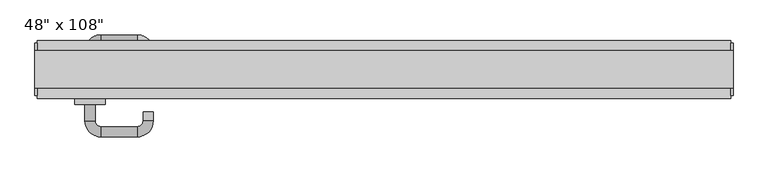
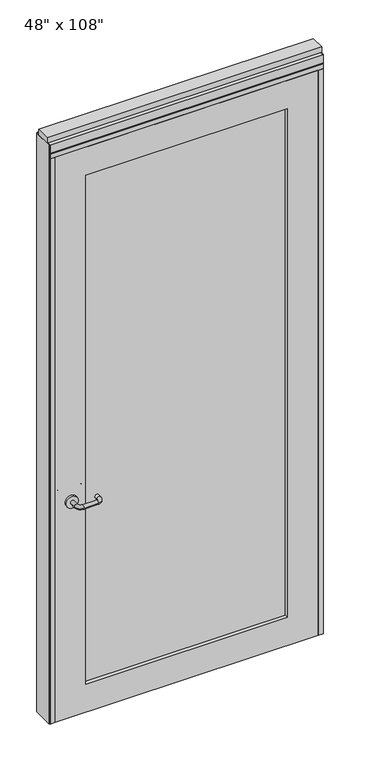
"""IFC4 building model written with IfcOpenShell, lengths in millimetres: furniture geometry."""

from ifc_helpers import new_model, si_unit, point, frame, frame_2d, origin, origin_with_axes, place, context, project, spatial, polyline, circle_curve, ellipse_curve, trimmed, segment, composite_curve, outline, extrude, source, transform, mapped, element, save
from ifc_brep_helpers import plane_surface, cylinder_surface, revolved_surface, advanced_brep


def furniture_de39c773(model_context):
    return source(origin(), model_context, "Body", "SolidModel", [
        advanced_brep(
        [(-582.3875229, -0.4537216, 1016.0), (-564.6075229, -0.4537216, 1016.0), (-564.6075229, 28.1212784, 1016.0), (-582.3875229, 28.1212784, 1016.0), (-554.4475229, 38.2812784, 1016.0), (-554.4475229, 56.0612784, 1016.0), (-463.0075229, 12.2462784, 1016.0), (-480.7875229, 12.2462784, 1016.0), (-490.9475229, 38.2812784, 1016.0), (-490.9475229, 56.0612784, 1016.0), (-480.7875229, 28.1212784, 1016.0), (-463.0075229, 28.1212784, 1016.0)],
        [
            (0, 1, circle_curve(frame((-573.4975229, -0.4537216, 1016.0), z_axis=(0.0, -1.0, 0.0), x_axis=(1.0, 0.0, 0.0)), 8.89)),
            (1, 0, circle_curve(frame((-573.4975229, -0.4537216, 1016.0), z_axis=(0.0, -1.0, 0.0), x_axis=(1.0, 0.0, 0.0)), 8.89)),
            (1, 2),
            (2, 3, circle_curve(frame((-573.4975229, 28.1212784, 1016.0), z_axis=(0.0, -1.0, 0.0), x_axis=(1.0, 0.0, 0.0)), 8.89)),
            (3, 0),
            (3, 2, circle_curve(frame((-573.4975229, 28.1212784, 1016.0), z_axis=(0.0, -1.0, 0.0), x_axis=(1.0, 0.0, 0.0)), 8.89)),
            (4, 5, circle_curve(frame((-554.4475229, 47.1712784, 1016.0), z_axis=(-1.0, 0.0, 0.0), x_axis=(0.0, -1.0, 0.0)), 8.89)),
            (5, 3, circle_curve(frame((-554.4475229, 28.1212784, 1016.0), z_axis=(0.0, 0.0, 1.0), x_axis=(-1.0, 0.0, 0.0)), 27.94)),
            (2, 4, circle_curve(frame((-554.4475229, 28.1212784, 1016.0), z_axis=(0.0, 0.0, -1.0), x_axis=(-1.0, 0.0, 0.0)), 10.16)),
            (5, 4, circle_curve(frame((-554.4475229, 47.1712784, 1016.0), z_axis=(-1.0, 0.0, 0.0), x_axis=(0.0, -1.0, 0.0)), 8.89)),
            (6, 7, circle_curve(frame((-471.8975229, 12.2462784, 1016.0), z_axis=(0.0, -1.0, 0.0), x_axis=(-1.0, 0.0, 0.0)), 8.89)),
            (7, 6, circle_curve(frame((-471.8975229, 12.2462784, 1016.0), z_axis=(0.0, -1.0, 0.0), x_axis=(-1.0, 0.0, 0.0)), 8.89)),
            (4, 8),
            (8, 9, circle_curve(frame((-490.9475229, 47.1712784, 1016.0), z_axis=(-1.0, 0.0, 0.0), x_axis=(0.0, -1.0, 0.0)), 8.89)),
            (9, 5),
            (9, 8, circle_curve(frame((-490.9475229, 47.1712784, 1016.0), z_axis=(-1.0, 0.0, 0.0), x_axis=(0.0, -1.0, 0.0)), 8.89)),
            (10, 11, circle_curve(frame((-471.8975229, 28.1212784, 1016.0), z_axis=(0.0, 1.0, 0.0), x_axis=(-1.0, 0.0, 0.0)), 8.89)),
            (11, 9, circle_curve(frame((-490.9475229, 28.1212784, 1016.0), z_axis=(0.0, 0.0, 1.0), x_axis=(0.0, 1.0, 0.0)), 27.94)),
            (8, 10, circle_curve(frame((-490.9475229, 28.1212784, 1016.0), z_axis=(0.0, 0.0, -1.0), x_axis=(0.0, 1.0, 0.0)), 10.16)),
            (11, 10, circle_curve(frame((-471.8975229, 28.1212784, 1016.0), z_axis=(0.0, 1.0, 0.0), x_axis=(-1.0, 0.0, 0.0)), 8.89)),
            (10, 7),
            (6, 11),
        ],
        [
            plane_surface(frame((-573.4975229, -0.4537216, 1016.0), z_axis=(0.0, -1.0, 0.0), x_axis=(0.0, 0.0, 1.0))),
            cylinder_surface(frame((-573.4975229, -0.4537216, 1016.0), z_axis=(0.0, -1.0, 0.0), x_axis=(1.0, 0.0, 0.0)), 8.89),
            revolved_surface(trimmed(ellipse_curve(frame((-573.4975229, 28.1212784, 1016.0), z_axis=(0.0, 1.0, 0.0), x_axis=(1.0, 0.0, 0.0)), 8.89, 8.89), [point((-582.3875229, 28.1212784, 1016.0))], [point((-564.6075229, 28.1212784, 1016.0))], True, "CARTESIAN"), (-554.4475229, 28.1212784, 1016.0), (0.0, 0.0, 1.0)),
            revolved_surface(trimmed(ellipse_curve(frame((-573.4975229, 28.1212784, 1016.0), z_axis=(0.0, 1.0, 0.0), x_axis=(1.0, 0.0, 0.0)), 8.89, 8.89), [point((-564.6075229, 28.1212784, 1016.0))], [point((-582.3875229, 28.1212784, 1016.0))], True, "CARTESIAN"), (-554.4475229, 28.1212784, 1016.0), (0.0, 0.0, 1.0)),
            plane_surface(frame((-471.8975229, 12.2462784, 1016.0), z_axis=(0.0, -1.0, 0.0), x_axis=(0.0, 0.0, 1.0))),
            cylinder_surface(frame((-554.4475229, 47.1712784, 1016.0), z_axis=(-1.0, 0.0, 0.0), x_axis=(0.0, -1.0, 0.0)), 8.89),
            revolved_surface(trimmed(ellipse_curve(frame((-490.9475229, 47.1712784, 1016.0), z_axis=(1.0, 0.0, 0.0), x_axis=(0.0, -1.0, 0.0)), 8.89, 8.89), [point((-490.9475229, 56.0612784, 1016.0))], [point((-490.9475229, 38.2812784, 1016.0))], True, "CARTESIAN"), (-490.9475229, 28.1212784, 1016.0), (0.0, 0.0, 1.0)),
            revolved_surface(trimmed(ellipse_curve(frame((-490.9475229, 47.1712784, 1016.0), z_axis=(1.0, 0.0, 0.0), x_axis=(0.0, -1.0, 0.0)), 8.89, 8.89), [point((-490.9475229, 38.2812784, 1016.0))], [point((-490.9475229, 56.0612784, 1016.0))], True, "CARTESIAN"), (-490.9475229, 28.1212784, 1016.0), (0.0, 0.0, 1.0)),
            cylinder_surface(frame((-471.8975229, 28.1212784, 1016.0), z_axis=(0.0, 1.0, 0.0), x_axis=(-1.0, 0.0, 0.0)), 8.89),
        ],
        [
            (0, [[1, 2]]),
            (1, [[3, 4, 5, -2]]),
            (1, [[-5, 6, -3, -1]]),
            (2, [[7, 8, -4, 9]]),
            (3, [[10, -9, -6, -8]]),
            (4, [[11, 12]]),
            (5, [[13, 14, 15, -7]]),
            (5, [[-15, 16, -13, -10]]),
            (6, [[17, 18, -14, 19]]),
            (7, [[20, -19, -16, -18]]),
            (8, [[21, -11, 22, -17]]),
            (8, [[-22, -12, -21, -20]]),
        ],
    ),
        extrude(outline(composite_curve([segment(trimmed(circle_curve(frame_2d((1016.0, -573.4975229)), 26.924), [point((1016.0, -600.4215229))], [point((1016.0, -546.5735229))], False, "CARTESIAN"), True, "CONTINUOUS"), segment(trimmed(circle_curve(frame_2d((1016.0, -573.4975229)), 26.924), [point((1016.0, -546.5735229))], [point((1016.0, -600.4215229))], False, "CARTESIAN"), True, "CONTINUOUS")], self_intersect=False)), frame((0.0, -10.8677216, 0.0), z_axis=(0.0, 1.0, 0.0), x_axis=(0.0, 0.0, 1.0)), (0.0, 0.0, 1.0), 10.414),
        advanced_brep(
        [(-582.3875229, -65.7317216, 1016.0), (-564.6075229, -65.7317216, 1016.0), (-582.3875229, -94.3067216, 1016.0), (-564.6075229, -94.3067216, 1016.0), (-554.4475229, -104.4667216, 1016.0), (-554.4475229, -122.2467216, 1016.0), (-463.0075229, -78.4317216, 1016.0), (-480.7875229, -78.4317216, 1016.0), (-490.9475229, -122.2467216, 1016.0), (-490.9475229, -104.4667216, 1016.0), (-480.7875229, -94.3067216, 1016.0), (-463.0075229, -94.3067216, 1016.0)],
        [
            (0, 1, circle_curve(frame((-573.4975229, -65.7317216, 1016.0), z_axis=(0.0, 1.0, 0.0), x_axis=(1.0, 0.0, 0.0)), 8.89)),
            (1, 0, circle_curve(frame((-573.4975229, -65.7317216, 1016.0), z_axis=(0.0, 1.0, 0.0), x_axis=(1.0, 0.0, 0.0)), 8.89)),
            (0, 2),
            (2, 3, circle_curve(frame((-573.4975229, -94.3067216, 1016.0), z_axis=(0.0, 1.0, 0.0), x_axis=(1.0, 0.0, 0.0)), 8.89)),
            (3, 1),
            (3, 2, circle_curve(frame((-573.4975229, -94.3067216, 1016.0), z_axis=(0.0, 1.0, 0.0), x_axis=(1.0, 0.0, 0.0)), 8.89)),
            (4, 3, circle_curve(frame((-554.4475229, -94.3067216, 1016.0), z_axis=(0.0, 0.0, -1.0), x_axis=(-1.0, 0.0, 0.0)), 10.16)),
            (2, 5, circle_curve(frame((-554.4475229, -94.3067216, 1016.0), z_axis=(0.0, 0.0, 1.0), x_axis=(-1.0, 0.0, 0.0)), 27.94)),
            (5, 4, circle_curve(frame((-554.4475229, -113.3567216, 1016.0), z_axis=(-1.0, 0.0, 0.0), x_axis=(0.0, 1.0, 0.0)), 8.89)),
            (4, 5, circle_curve(frame((-554.4475229, -113.3567216, 1016.0), z_axis=(-1.0, 0.0, 0.0), x_axis=(0.0, 1.0, 0.0)), 8.89)),
            (6, 7, circle_curve(frame((-471.8975229, -78.4317216, 1016.0), z_axis=(0.0, 1.0, 0.0), x_axis=(-1.0, 0.0, 0.0)), 8.89)),
            (7, 6, circle_curve(frame((-471.8975229, -78.4317216, 1016.0), z_axis=(0.0, 1.0, 0.0), x_axis=(-1.0, 0.0, 0.0)), 8.89)),
            (5, 8),
            (8, 9, circle_curve(frame((-490.9475229, -113.3567216, 1016.0), z_axis=(-1.0, 0.0, 0.0), x_axis=(0.0, 1.0, 0.0)), 8.89)),
            (9, 4),
            (9, 8, circle_curve(frame((-490.9475229, -113.3567216, 1016.0), z_axis=(-1.0, 0.0, 0.0), x_axis=(0.0, 1.0, 0.0)), 8.89)),
            (10, 9, circle_curve(frame((-490.9475229, -94.3067216, 1016.0), z_axis=(0.0, 0.0, -1.0), x_axis=(0.0, -1.0, 0.0)), 10.16)),
            (8, 11, circle_curve(frame((-490.9475229, -94.3067216, 1016.0), z_axis=(0.0, 0.0, 1.0), x_axis=(0.0, -1.0, 0.0)), 27.94)),
            (11, 10, circle_curve(frame((-471.8975229, -94.3067216, 1016.0), z_axis=(0.0, -1.0, 0.0), x_axis=(-1.0, 0.0, 0.0)), 8.89)),
            (10, 11, circle_curve(frame((-471.8975229, -94.3067216, 1016.0), z_axis=(0.0, -1.0, 0.0), x_axis=(-1.0, 0.0, 0.0)), 8.89)),
            (11, 6),
            (7, 10),
        ],
        [
            plane_surface(frame((-573.4975229, -65.7317216, 1016.0), z_axis=(0.0, 1.0, 0.0), x_axis=(0.0, 0.0, 1.0))),
            cylinder_surface(frame((-573.4975229, -65.7317216, 1016.0), z_axis=(0.0, 1.0, 0.0), x_axis=(1.0, 0.0, 0.0)), 8.89),
            revolved_surface(trimmed(ellipse_curve(frame((-573.4975229, -94.3067216, 1016.0), z_axis=(0.0, 1.0, 0.0), x_axis=(1.0, 0.0, 0.0)), 8.89, 8.89), [point((-582.3875229, -94.3067216, 1016.0))], [point((-564.6075229, -94.3067216, 1016.0))], True, "CARTESIAN"), (-554.4475229, -94.3067216, 1016.0), (0.0, 0.0, 1.0)),
            revolved_surface(trimmed(ellipse_curve(frame((-573.4975229, -94.3067216, 1016.0), z_axis=(0.0, 1.0, 0.0), x_axis=(1.0, 0.0, 0.0)), 8.89, 8.89), [point((-564.6075229, -94.3067216, 1016.0))], [point((-582.3875229, -94.3067216, 1016.0))], True, "CARTESIAN"), (-554.4475229, -94.3067216, 1016.0), (0.0, 0.0, 1.0)),
            plane_surface(frame((-471.8975229, -78.4317216, 1016.0), z_axis=(0.0, 1.0, 0.0), x_axis=(0.0, 0.0, 1.0))),
            cylinder_surface(frame((-554.4475229, -113.3567216, 1016.0), z_axis=(-1.0, 0.0, 0.0), x_axis=(0.0, 1.0, 0.0)), 8.89),
            revolved_surface(trimmed(ellipse_curve(frame((-490.9475229, -113.3567216, 1016.0), z_axis=(-1.0, 0.0, 0.0), x_axis=(0.0, 1.0, 0.0)), 8.89, 8.89), [point((-490.9475229, -122.2467216, 1016.0))], [point((-490.9475229, -104.4667216, 1016.0))], True, "CARTESIAN"), (-490.9475229, -94.3067216, 1016.0), (0.0, 0.0, 1.0)),
            revolved_surface(trimmed(ellipse_curve(frame((-490.9475229, -113.3567216, 1016.0), z_axis=(-1.0, 0.0, 0.0), x_axis=(0.0, 1.0, 0.0)), 8.89, 8.89), [point((-490.9475229, -104.4667216, 1016.0))], [point((-490.9475229, -122.2467216, 1016.0))], True, "CARTESIAN"), (-490.9475229, -94.3067216, 1016.0), (0.0, 0.0, 1.0)),
            cylinder_surface(frame((-471.8975229, -94.3067216, 1016.0), z_axis=(0.0, -1.0, 0.0), x_axis=(-1.0, 0.0, 0.0)), 8.89),
        ],
        [
            (0, [[1, 2]]),
            (1, [[-1, 3, 4, 5]]),
            (1, [[-2, -5, 6, -3]]),
            (2, [[7, -4, 8, 9]]),
            (3, [[-8, -6, -7, 10]]),
            (4, [[11, 12]]),
            (5, [[-9, 13, 14, 15]]),
            (5, [[-10, -15, 16, -13]]),
            (6, [[17, -14, 18, 19]]),
            (7, [[-18, -16, -17, 20]]),
            (8, [[-19, 21, -12, 22]]),
            (8, [[-20, -22, -11, -21]]),
        ],
    ),
        extrude(outline(composite_curve([segment(trimmed(circle_curve(frame_2d((1016.0, -573.4975229)), 26.924), [point((1016.0, -600.4215229))], [point((1016.0, -546.5735229))], False, "CARTESIAN"), True, "CONTINUOUS"), segment(trimmed(circle_curve(frame_2d((1016.0, -573.4975229)), 26.924), [point((1016.0, -546.5735229))], [point((1016.0, -600.4215229))], False, "CARTESIAN"), True, "CONTINUOUS")], self_intersect=False)), frame((0.0, -65.7317216, 0.0), z_axis=(0.0, 1.0, 0.0), x_axis=(0.0, 0.0, 1.0)), (0.0, 0.0, 1.0), 10.414),
        extrude(outline(polyline([(387.3844771, -38.1727216), (-507.4575229, -38.1727216), (-507.4575229, -28.0127216), (387.3844771, -28.0127216), (387.3844771, -38.1727216)])), frame((0.0, 0.0, 132.969), z_axis=(0.0, 0.0, 1.0), x_axis=(1.0, 0.0, 0.0)), (0.0, 0.0, 1.0), 2388.362),
        extrude(outline(polyline([(2654.3, 523.4014771), (2654.3, -643.4745229), (0.0, -643.4745229), (0.0, 523.4014771), (2654.3, 523.4014771)]), holes=[polyline([(2521.331, 387.3844771), (132.969, 387.3844771), (132.969, -507.4575229), (2521.331, -507.4575229), (2521.331, 387.3844771)])]), frame((0.0, -55.3177216, 0.0), z_axis=(0.0, 1.0, 0.0), x_axis=(0.0, 0.0, 1.0)), (0.0, 0.0, 1.0), 44.45),
        extrude(outline(polyline([(-665.6995229, -55.3177216), (-665.6995229, 46.2822784), (545.6264771, 46.2822784), (545.6264771, -55.3177216), (-665.6995229, -55.3177216)])), frame((0.0, 0.0, 2654.3), z_axis=(0.0, 0.0, 1.0), x_axis=(1.0, 0.0, 0.0)), (0.0, 0.0, 1.0), 22.225),
        extrude(outline(polyline([(549.5634771, -50.3647216), (545.6264771, -50.3647216), (545.6264771, 41.3292784), (549.5634771, 41.3292784), (549.5634771, -50.3647216)])), origin_with_axes(), (0.0, 0.0, 1.0), 2717.8),
        extrude(outline(polyline([(-669.6365229, -50.3647216), (-669.6365229, 41.3292784), (-665.6995229, 41.3292784), (-665.6995229, -50.3647216), (-669.6365229, -50.3647216)])), origin_with_axes(), (0.0, 0.0, 1.0), 2717.8),
        extrude(outline(polyline([(523.4014771, -55.3177216), (523.4014771, 46.2822784), (545.6264771, 46.2822784), (545.6264771, -55.3177216), (523.4014771, -55.3177216)])), origin_with_axes(), (0.0, 0.0, 1.0), 2654.3),
        extrude(outline(polyline([(-643.4745229, -55.3177216), (-665.6995229, -55.3177216), (-665.6995229, 46.2822784), (-643.4745229, 46.2822784), (-643.4745229, -55.3177216)])), origin_with_axes(), (0.0, 0.0, 1.0), 2654.3),
        extrude(outline(polyline([(-55.3177216, 2681.478), (-55.3177216, 2717.8), (46.2822784, 2717.8), (46.2822784, 2681.478), (41.3292784, 2681.478), (41.3292784, 2676.525), (-50.3647216, 2676.525), (-50.3647216, 2681.478), (-55.3177216, 2681.478)])), frame((-665.6995229, 0.0, 0.0), z_axis=(1.0, 0.0, 0.0), x_axis=(0.0, 1.0, 0.0)), (0.0, 0.0, 1.0), 1211.326),
        extrude(outline(polyline([(-669.6365229, -37.0297216), (-669.6365229, 27.9942784), (549.5634771, 27.9942784), (549.5634771, -37.0297216), (-669.6365229, -37.0297216)])), frame((0.0, 0.0, 2717.8), z_axis=(0.0, 0.0, 1.0), x_axis=(1.0, 0.0, 0.0)), (0.0, 0.0, 1.0), 25.4),
    ])


if __name__ == "__main__":
    model = new_model("IFC4")
    model_context = context("Model", 3, world=origin())
    ifc_project = project(units=[si_unit("LENGTHUNIT", "METRE", prefix="MILLI")], contexts=[model_context])
    site = spatial("IfcSite", under=ifc_project)
    building = spatial("IfcBuilding", under=site)
    placement = place(None, origin())
    furniture_shape = furniture_de39c773(model_context)
    element("IfcFurniture", 1, ObjectType="48\" x 108\"", at=placement, inside=building, context=model_context, shape_type="MappedRepresentation", body=[
        mapped(furniture_shape, transform((0.0, 0.0, 0.0), x_axis=(1.0, 0.0, 0.0), y_axis=(0.0, 1.0, 0.0), z_axis=(0.0, 0.0, 1.0))),
    ])
    save(model, "model.ifc")
